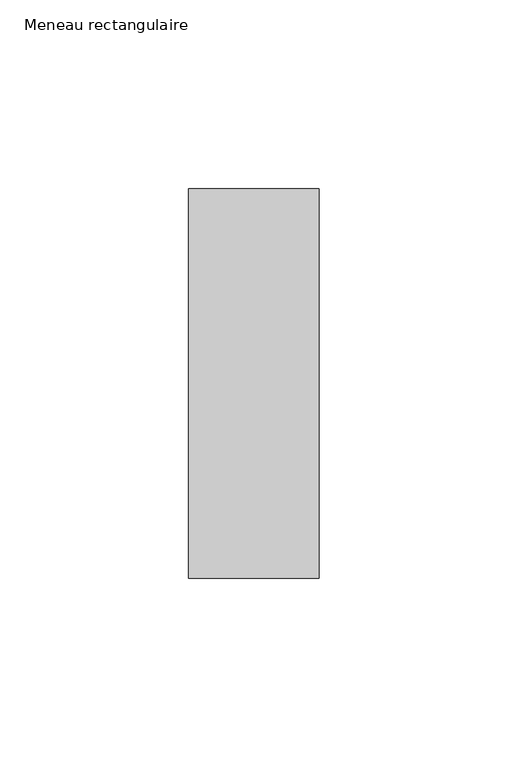
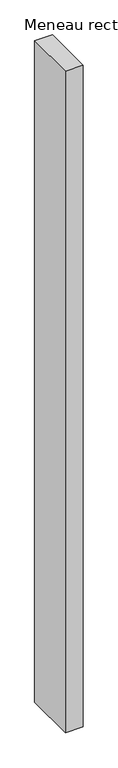
"""IFC4 building model written with IfcOpenShell, lengths in millimetres: member geometry, Meneau rectangulaire."""

import ifcopenshell
import ifcopenshell.guid

model = None  # the IFC model being written
_history = None  # IfcOwnerHistory: only IFC2X3 demands one
_inside = {}  # id of a spatial element -> (the spatial element, [elements in it])
_under = {}  # id of a project, library or spatial element -> (it, [spatial elements below it])
_declared = {}  # id of a project -> (the project, [libraries it declares])
_typed = {}  # id of a type object -> (the type object, [elements of that type])
_made_of = {}  # id of a material, layer set ... -> (it, [elements and type objects made of it])


def new_model(schema):
    """Start an empty IFC model of exactly this schema.

    Asked for "IFC4X3", IfcOpenShell would pick the latest addendum, in which some entities
    have other attributes; the version numbers below select the first issue.
    IFC2X3 requires an IfcOwnerHistory on every rooted entity: one is made here for all.
    """
    global model, _history
    if schema == "IFC4X3":
        model = ifcopenshell.file(schema_version=(4, 3, 0, 0))
    else:
        model = ifcopenshell.file(schema=schema)
    _inside.clear()
    _under.clear()
    _declared.clear()
    _typed.clear()
    _made_of.clear()
    _history = None
    if model.schema == "IFC2X3":
        org = make("IfcOrganization", Name="unknown")
        user = make(
            "IfcPersonAndOrganization",
            ThePerson=make("IfcPerson", FamilyName="unknown"),
            TheOrganization=org,
        )
        app = make(
            "IfcApplication",
            ApplicationDeveloper=org,
            Version="unknown",
            ApplicationFullName="unknown",
            ApplicationIdentifier="unknown",
        )
        _history = make(
            "IfcOwnerHistory",
            OwningUser=user,
            OwningApplication=app,
            ChangeAction="ADDED",
            CreationDate=0,
        )
    return model


def make(cls, **values):
    """One entity of the class cls with the attributes given. An attribute that is None is left unset."""
    return model.create_entity(
        cls, **{name: value for name, value in values.items() if value is not None}
    )


def rooted(cls, **values):
    """An entity with a GlobalId (a new one), such as an element, a storey or a relation."""
    return make(cls, GlobalId=ifcopenshell.guid.new(), OwnerHistory=_history, **values)


def si_unit(unit_type, name, prefix=None):
    """IfcSIUnit, for example si_unit("LENGTHUNIT", "METRE", prefix="MILLI")."""
    return make("IfcSIUnit", UnitType=unit_type, Prefix=prefix, Name=name)


def assignment(units):
    """IfcUnitAssignment: the units of a project."""
    return None if units is None else make("IfcUnitAssignment", Units=units)


def point(xyz):
    """IfcCartesianPoint."""
    return None if xyz is None else make("IfcCartesianPoint", Coordinates=xyz)


def direction(xyz):
    """IfcDirection."""
    return None if xyz is None else make("IfcDirection", DirectionRatios=xyz)


def frame(location, z_axis=None, x_axis=None):
    """IfcAxis2Placement3D, a coordinate frame: its origin and axes. An axis left out is left unset."""
    return make(
        "IfcAxis2Placement3D",
        Location=point(location),
        Axis=direction(z_axis),
        RefDirection=direction(x_axis),
    )


def origin():
    """The frame at (0, 0, 0) with its axes left unset."""
    return frame((0.0, 0.0, 0.0))


def place(relative_to, where):
    """IfcLocalPlacement: puts the frame where relative to a parent placement (None: the world)."""
    return make(
        "IfcLocalPlacement", PlacementRelTo=relative_to, RelativePlacement=where
    )


def context(
    kind, dimensions, precision=None, world=None, true_north=None, identifier=None
):
    """IfcGeometricRepresentationContext, for example the 3D "Model" context."""
    return make(
        "IfcGeometricRepresentationContext",
        ContextIdentifier=identifier,
        ContextType=kind,
        CoordinateSpaceDimension=dimensions,
        Precision=precision,
        WorldCoordinateSystem=world,
        TrueNorth=true_north,
    )


def project(units=None, contexts=None):
    """IfcProject with its units and contexts."""
    return rooted(
        "IfcProject",
        Name="project",
        RepresentationContexts=contexts,
        UnitsInContext=assignment(units),
    )


def spatial(cls, under=None, at=None, **own):
    """A site, building, storey or space (cls), placed at a placement, below another one or the project."""
    s = rooted(cls, ObjectPlacement=at, **own)
    if under is not None:
        _under.setdefault(under.id(), (under, []))[1].append(s)
    return s


def polyline(points):
    """IfcPolyline through the points."""
    return make("IfcPolyline", Points=[point(p) for p in points])


def outline(outer, holes=None, kind="AREA"):
    """IfcArbitraryClosedProfileDef: a profile drawn as a closed curve; with holes, ...WithVoids."""
    if holes is None:
        return make("IfcArbitraryClosedProfileDef", ProfileType=kind, OuterCurve=outer)
    return make(
        "IfcArbitraryProfileDefWithVoids",
        ProfileType=kind,
        OuterCurve=outer,
        InnerCurves=holes,
    )


def extrude(swept, where, along, depth):
    """IfcExtrudedAreaSolid: the profile swept, set in the frame where, extruded along a direction by depth."""
    return make(
        "IfcExtrudedAreaSolid",
        SweptArea=swept,
        Position=where,
        ExtrudedDirection=direction(along),
        Depth=depth,
    )


def shape(context_of_items, identifier, shape_type, items):
    """IfcShapeRepresentation: the items that make up one representation, for example the "Body"."""
    return make(
        "IfcShapeRepresentation",
        ContextOfItems=context_of_items,
        RepresentationIdentifier=identifier,
        RepresentationType=shape_type,
        Items=items,
    )


def source(mapping_origin, context_of_items, identifier, shape_type, items):
    """IfcRepresentationMap: a shape defined once, which mapped items show again and again."""
    return make(
        "IfcRepresentationMap",
        MappingOrigin=mapping_origin,
        MappedRepresentation=shape(context_of_items, identifier, shape_type, items),
    )


def transform(
    local_origin,
    x_axis=None,
    y_axis=None,
    z_axis=None,
    scale=None,
    scale2=None,
    scale3=None,
    uniform=True,
):
    """IfcCartesianTransformationOperator3D, or its non-uniform kind. x_axis, y_axis, z_axis: its Axis1, 2, 3."""
    if uniform:
        return make(
            "IfcCartesianTransformationOperator3D",
            Axis1=direction(x_axis),
            Axis2=direction(y_axis),
            LocalOrigin=point(local_origin),
            Scale=scale,
            Axis3=direction(z_axis),
        )
    return make(
        "IfcCartesianTransformationOperator3DnonUniform",
        Axis1=direction(x_axis),
        Axis2=direction(y_axis),
        LocalOrigin=point(local_origin),
        Scale=scale,
        Axis3=direction(z_axis),
        Scale2=scale2,
        Scale3=scale3,
    )


def mapped(mapping_source, mapping_target):
    """IfcMappedItem: shows the shape of a source again, moved by a transform."""
    return make(
        "IfcMappedItem", MappingSource=mapping_source, MappingTarget=mapping_target
    )


def made_of(thing, what):
    """Note that an element or type object is made of a material, layer set ...; save() writes the relation."""
    if what is not None:
        _made_of.setdefault(what.id(), (what, []))[1].append(thing)
    return thing


def element(
    cls,
    number,
    at=None,
    inside=None,
    cuts=None,
    type_object=None,
    material=None,
    context=None,
    identifier="Body",
    shape_type=None,
    held_by="IfcProductDefinitionShape",
    body=None,
    shapes=None,
    **own,
):
    """One element of the class cls, such as IfcWall. Its Tag is "e" and its number.

    at: its placement. inside: the storey or other place that contains it. cuts: it is an
    opening in that element (IfcRelVoidsElement). A single representation is given by context,
    identifier, shape_type and body (its items); several are given by shapes. held_by: the class
    of the entity that holds the representations. save() writes the other relations.
    """
    e = rooted(cls, Tag="e%d" % number, ObjectPlacement=at, **own)
    if body is not None:
        shapes = [shape(context, identifier, shape_type, body)]
    if shapes is not None:
        e.Representation = make(held_by, Representations=shapes)
    if inside is not None:
        _inside.setdefault(inside.id(), (inside, []))[1].append(e)
    if cuts is not None:
        rooted(
            "IfcRelVoidsElement", RelatingBuildingElement=cuts, RelatedOpeningElement=e
        )
    if type_object is not None:
        _typed.setdefault(type_object.id(), (type_object, []))[1].append(e)
    return made_of(e, material)


def aggregate(whole, parts):
    """IfcRelAggregates: a whole, such as a stair, and the parts it consists of."""
    return rooted("IfcRelAggregates", RelatingObject=whole, RelatedObjects=parts)


def save(model, path):
    """Write the relations noted so far, then the file.

    IfcRelAggregates (storeys below a building ...), IfcRelContainedInSpatialStructure (elements
    in a storey), IfcRelDefinesByType, IfcRelAssociatesMaterial and IfcRelDeclares: one each for
    every whole, place, type object, material and project.
    """
    for whole, parts in _under.values():
        aggregate(whole, parts)
    for where, things in _inside.values():
        rooted(
            "IfcRelContainedInSpatialStructure",
            RelatedElements=things,
            RelatingStructure=where,
        )
    for kind, things in _typed.values():
        rooted("IfcRelDefinesByType", RelatedObjects=things, RelatingType=kind)
    for what, things in _made_of.values():
        rooted("IfcRelAssociatesMaterial", RelatedObjects=things, RelatingMaterial=what)
    for by, libraries in _declared.values():
        rooted("IfcRelDeclares", RelatingContext=by, RelatedDefinitions=libraries)
    model.write(path)


def meneau_rectangulaire_af7d2a62(model_context):
    return source(origin(), model_context, "Body", "SweptSolid", [
        extrude(outline(polyline([(-34.5, 51.5), (0.0, 51.5), (0.0, -51.5), (-34.5, -51.5), (-34.5, 51.5)])), frame((0.0, 0.0, -1356.9166666), z_axis=(0.0, 0.0, 1.0), x_axis=(1.0, 0.0, 0.0)), (0.0, 0.0, 1.0), 1356.9166666),
    ])


if __name__ == "__main__":
    model = new_model("IFC4")
    model_context = context("Model", 3, world=origin())
    ifc_project = project(units=[si_unit("LENGTHUNIT", "METRE", prefix="MILLI")], contexts=[model_context])
    site = spatial("IfcSite", under=ifc_project)
    building = spatial("IfcBuilding", under=site)
    placement = place(None, origin())
    meneau_rectangulaire_shape = meneau_rectangulaire_af7d2a62(model_context)
    element("IfcMember", 1, ObjectType="Meneau rectangulaire", at=placement, inside=building, context=model_context, shape_type="MappedRepresentation", body=[
        mapped(meneau_rectangulaire_shape, transform((0.0, 0.0, 0.0), x_axis=(1.0, 0.0, 0.0), y_axis=(0.0, 1.0, 0.0), z_axis=(0.0, 0.0, 1.0))),
    ])
    save(model, "model.ifc")
